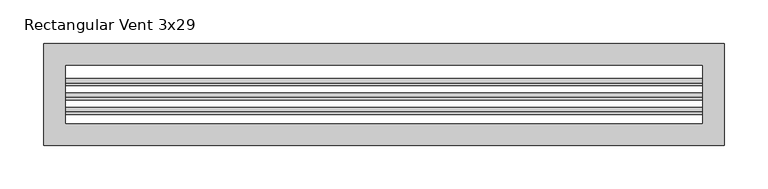
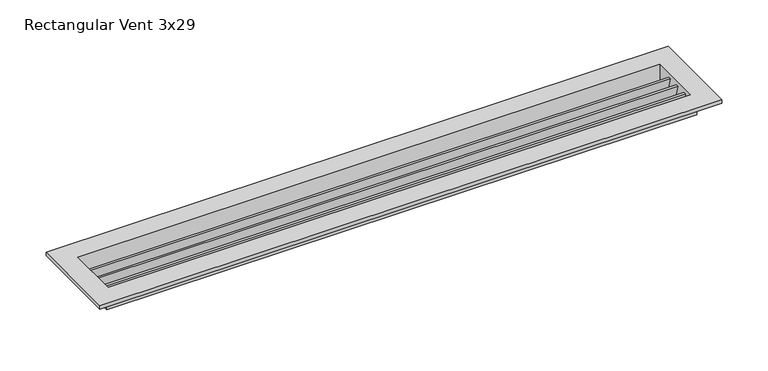
"""IFC4 building model written with IfcOpenShell, lengths in millimetres: air terminal geometry, Rectangular Vent 3x29."""

from ifc_helpers import new_model, si_unit, frame, origin, place, context, project, spatial, polyline, outline, extrude, faceted_brep, source, transform, mapped, element, save


def rectangular_vent_3x29_6fed39a9(model_context):
    return source(origin(), model_context, "Body", "SolidModel", [
        extrude(outline(polyline([(-19.9632939, 0.0), (-14.60431, -20.0), (-17.72931, -20.0), (-23.0882939, 0.0), (-19.9632939, 0.0)])), frame((-363.3, 0.0, 0.0), z_axis=(1.0, 0.0, 0.0), x_axis=(0.0, 1.0, 0.0)), (0.0, 0.0, 1.0), 726.6),
        extrude(outline(polyline([(-6.5370008, 0.0), (-3.4120008, 0.0), (1.946983, -20.0), (-1.178017, -20.0), (-6.5370008, 0.0)])), frame((-363.3, 0.0, 0.0), z_axis=(1.0, 0.0, 0.0), x_axis=(0.0, 1.0, 0.0)), (0.0, 0.0, 1.0), 726.6),
        extrude(outline(polyline([(10.0142923, 0.0), (13.1392923, 0.0), (18.4982761, -20.0), (15.3732761, -20.0), (10.0142923, 0.0)])), frame((-363.3, 0.0, 0.0), z_axis=(1.0, 0.0, 0.0), x_axis=(0.0, 1.0, 0.0)), (0.0, 0.0, 1.0), 726.6),
        faceted_brep([(368.3, -38.1, -20.0), (368.3, -38.1, 0.0), (-368.3, -38.1, 0.0), (-368.3, -38.1, -20.0), (363.3, -33.1, 5.0), (363.3, -33.1, -20.0), (-363.3, -33.1, -20.0), (-363.3, -33.1, 5.0), (388.3, -58.1, 0.0), (388.3, -58.1, 5.0), (-388.3, -58.1, 5.0), (-388.3, -58.1, 0.0), (-368.3, 38.1, 0.0), (-368.3, 38.1, -20.0), (-363.3, 33.1, -20.0), (-363.3, 33.1, 5.0), (-388.3, 58.1, 5.0), (-388.3, 58.1, 0.0), (368.3, 38.1, 0.0), (368.3, 38.1, -20.0), (363.3, 33.1, -20.0), (363.3, 33.1, 5.0), (388.3, 58.1, 5.0), (388.3, 58.1, 0.0)], [[[0, 1, 2, 3]], [[4, 5, 6, 7]], [[8, 9, 10, 11]], [[3, 2, 12, 13]], [[7, 6, 14, 15]], [[11, 10, 16, 17]], [[13, 12, 18, 19]], [[15, 14, 20, 21]], [[17, 16, 22, 23]], [[11, 17, 23, 8], [1, 18, 12, 2]], [[19, 18, 1, 0]], [[3, 13, 19, 0], [5, 20, 14, 6]], [[21, 20, 5, 4]], [[9, 22, 16, 10], [7, 15, 21, 4]], [[23, 22, 9, 8]]]),
    ])


if __name__ == "__main__":
    model = new_model("IFC4")
    model_context = context("Model", 3, world=origin())
    ifc_project = project(units=[si_unit("LENGTHUNIT", "METRE", prefix="MILLI")], contexts=[model_context])
    site = spatial("IfcSite", under=ifc_project)
    building = spatial("IfcBuilding", under=site)
    placement = place(None, origin())
    rectangular_vent_3x29_shape = rectangular_vent_3x29_6fed39a9(model_context)
    element("IfcAirTerminal", 1, ObjectType="Rectangular Vent 3x29", at=placement, inside=building, context=model_context, shape_type="MappedRepresentation", body=[
        mapped(rectangular_vent_3x29_shape, transform((0.0, 0.0, 0.0), x_axis=(1.0, 0.0, 0.0), y_axis=(0.0, 1.0, 0.0), z_axis=(0.0, 0.0, 1.0))),
    ])
    save(model, "model.ifc")
